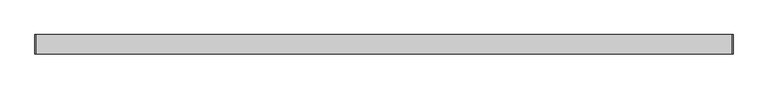
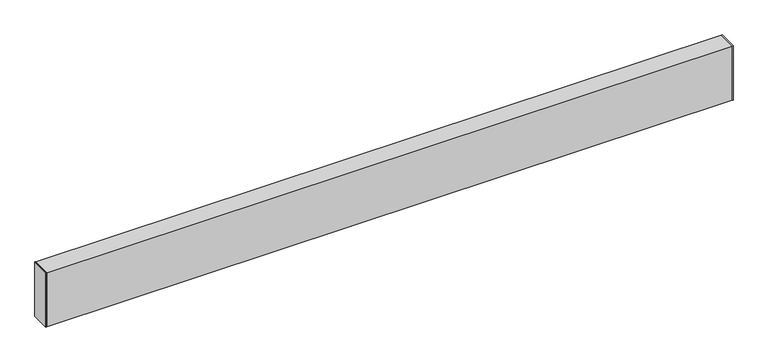
"""IFC4 building model written with IfcOpenShell, lengths in millimetres: proxy geometry."""

from ifc_helpers import new_model, si_unit, frame, origin, origin_with_axes, place, context, project, spatial, polyline, outline, extrude, source, transform, mapped, element, save


def generic_models_9a657bc9(model_context):
    return source(origin(), model_context, "Body", "SweptSolid", [
        extrude(outline(polyline([(0.0, -25.4), (0.0, 25.4), (1.651, 25.4), (1.651, -25.4), (0.0, -25.4)])), origin_with_axes(), (0.0, 0.0, 1.0), 152.4),
        extrude(outline(polyline([(1828.8, -25.4), (1827.149, -25.4), (1827.149, 25.4), (1828.8, 25.4), (1828.8, -25.4)])), origin_with_axes(), (0.0, 0.0, 1.0), 152.4),
        extrude(outline(polyline([(-25.4, 0.0), (-25.4, 152.4), (25.4, 152.4), (25.4, 0.0), (-25.4, 0.0)]), holes=[polyline([(22.266, 1.651), (22.266, 150.749), (-22.266, 150.749), (-22.266, 1.651), (22.266, 1.651)])]), frame((1.651, 0.0, 0.0), z_axis=(1.0, 0.0, 0.0), x_axis=(0.0, 1.0, 0.0)), (0.0, 0.0, 1.0), 1825.498),
    ])


if __name__ == "__main__":
    model = new_model("IFC4")
    model_context = context("Model", 3, world=origin())
    ifc_project = project(units=[si_unit("LENGTHUNIT", "METRE", prefix="MILLI")], contexts=[model_context])
    site = spatial("IfcSite", under=ifc_project)
    building = spatial("IfcBuilding", under=site)
    placement = place(None, origin())
    generic_models_shape = generic_models_9a657bc9(model_context)
    element("IfcBuildingElementProxy", 1, Name="Generic Models", at=placement, inside=building, context=model_context, shape_type="MappedRepresentation", body=[
        mapped(generic_models_shape, transform((0.0, 0.0, 0.0), x_axis=(1.0, 0.0, 0.0), y_axis=(0.0, 1.0, 0.0), z_axis=(0.0, 0.0, 1.0))),
    ])
    save(model, "model.ifc")
